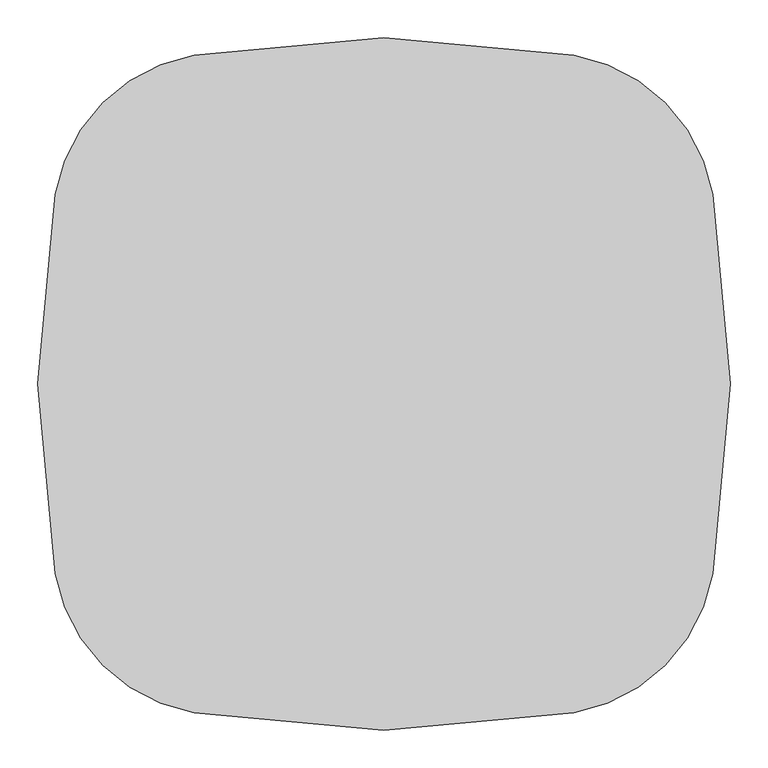
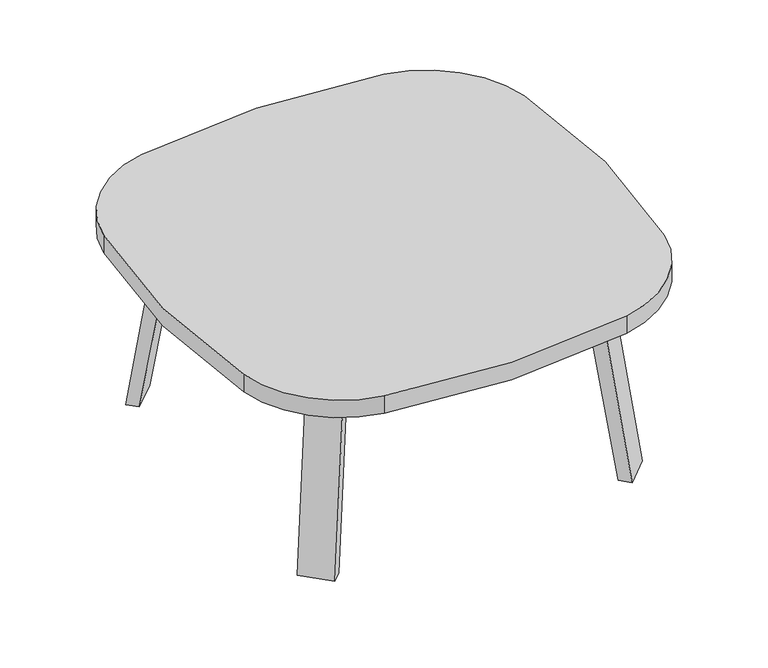
"""IFC4 building model written with IfcOpenShell, lengths in millimetres: furniture geometry."""

from ifc_helpers import new_model, si_unit, point, frame, frame_2d, origin, place, context, project, spatial, polyline, circle_curve, trimmed, segment, composite_curve, outline, extrude, faceted_brep, source, transform, mapped, element, save


def furniture_5767a59c(model_context):
    return source(origin(), model_context, "Body", "SolidModel", [
        extrude(outline(composite_curve([segment(trimmed(circle_curve(frame_2d((-939.8, 0.0)), 1397.0), [point((434.5292545, 250.6553415))], [point((434.5292545, -250.6553415))], False, "CARTESIAN"), True, "CONTINUOUS"), segment(trimmed(circle_curve(frame_2d((209.6390129, -209.6390129)), 228.6), [point((434.5292545, -250.6553415))], [point((250.6553415, -434.5292545))], False, "CARTESIAN"), True, "CONTINUOUS"), segment(trimmed(circle_curve(frame_2d((0.0, 939.8)), 1397.0), [point((250.6553415, -434.5292545))], [point((-250.6553415, -434.5292545))], False, "CARTESIAN"), True, "CONTINUOUS"), segment(trimmed(circle_curve(frame_2d((-209.6390129, -209.6390129)), 228.6), [point((-250.6553415, -434.5292545))], [point((-434.5292545, -250.6553415))], False, "CARTESIAN"), True, "CONTINUOUS"), segment(trimmed(circle_curve(frame_2d((939.8, 0.0)), 1397.0), [point((-434.5292545, -250.6553415))], [point((-434.5292545, 250.6553415))], False, "CARTESIAN"), True, "CONTINUOUS"), segment(trimmed(circle_curve(frame_2d((-209.6390129, 209.6390129)), 228.6), [point((-434.5292545, 250.6553415))], [point((-250.6553415, 434.5292545))], False, "CARTESIAN"), True, "CONTINUOUS"), segment(trimmed(circle_curve(frame_2d((0.0, -939.8)), 1397.0), [point((-250.6553415, 434.5292545))], [point((250.6553415, 434.5292545))], False, "CARTESIAN"), True, "CONTINUOUS"), segment(trimmed(circle_curve(frame_2d((209.6390129, 209.6390129)), 228.6), [point((250.6553415, 434.5292545))], [point((434.5292545, 250.6553415))], False, "CARTESIAN"), True, "CONTINUOUS")], self_intersect=False)), frame((0.0, 0.0, 393.7), z_axis=(0.0, 0.0, 1.0), x_axis=(1.0, 0.0, 0.0)), (0.0, 0.0, 1.0), 38.1),
        faceted_brep([(125.9573355, -250.9740831, 390.525), (165.4704624, -211.4609562, 390.525), (220.5867843, -266.5772782, 390.525), (213.9451366, -273.2189259, 390.525), (152.8981038, -277.9148515, 390.525), (273.2189259, -213.9451366, 390.525), (267.2841162, -219.8799463, 390.525), (212.1677942, -164.7636244, 390.525), (251.6809212, -125.2504974, 390.525), (278.6216895, -152.1912658, 390.525), (125.9573355, -250.9740831, 393.7), (152.8981038, -277.9148515, 393.7), (213.9451366, -273.2189259, 393.7), (273.2189259, -213.9451366, 393.7), (278.6216895, -152.1912658, 393.7), (251.6809212, -125.2504974, 393.7), (220.5867843, -266.5772782, 368.3), (267.2841162, -219.8799463, 368.3), (175.6855037, -221.6759975, 368.3), (222.3828356, -174.9786657, 368.3)], [[[0, 1, 2, 3, 4]], [[5, 6, 7, 8, 9]], [[10, 11, 12, 13, 14, 15]], [[4, 11, 10, 0]], [[3, 12, 11, 4]], [[12, 3, 2, 16, 17, 6, 5, 13]], [[9, 14, 13, 5]], [[8, 15, 14, 9]], [[15, 8, 7, 1, 0, 10]], [[2, 1, 18, 16]], [[7, 6, 17, 19]], [[18, 19, 17, 16]], [[1, 7, 19, 18]]]),
        extrude(outline(composite_curve([segment(polyline([(-398.4146379, 0.0), (-408.1545858, 62.748573), (-383.0551566, 66.6445522), (-379.5627212, 44.1449106)]), True, "CONTINUOUS"), segment(trimmed(circle_curve(frame_2d((-360.7381493, 47.066895)), 19.05), [point((-379.5627212, 44.1449106))], [point((-359.4679535, 28.0592886))], True, "CARTESIAN"), True, "CONTINUOUS"), segment(polyline([(-359.4679535, 28.0592886), (-3.9108612, 25.195305), (0.0, 0.0), (-398.4146379, 0.0)]), True, "CONTINUOUS")], self_intersect=False)), frame((306.9994909, -356.3908995, 0.0), z_axis=(0.7071067811865512, 0.7071067811865439, 0.0), x_axis=(0.1084595775949888, -0.10845957759497554, -0.9881665042166913)), (0.0, 0.0, 1.0), 69.85),
        faceted_brep([(125.9573355, 250.9740831, 390.525), (152.8981038, 277.9148515, 390.525), (213.9451366, 273.2189259, 390.525), (220.5867843, 266.5772782, 390.525), (165.4704624, 211.4609562, 390.525), (273.2189259, 213.9451366, 390.525), (278.6216895, 152.1912658, 390.525), (251.6809212, 125.2504974, 390.525), (212.1677942, 164.7636244, 390.525), (267.2841162, 219.8799463, 390.525), (125.9573355, 250.9740831, 393.7), (251.6809212, 125.2504974, 393.7), (278.6216895, 152.1912658, 393.7), (273.2189259, 213.9451366, 393.7), (213.9451366, 273.2189259, 393.7), (152.8981038, 277.9148515, 393.7), (267.2841162, 219.8799463, 368.3), (220.5867843, 266.5772782, 368.3), (175.6855037, 221.6759975, 368.3), (222.3828356, 174.9786657, 368.3)], [[[0, 1, 2, 3, 4]], [[5, 6, 7, 8, 9]], [[10, 11, 12, 13, 14, 15]], [[1, 0, 10, 15]], [[2, 1, 15, 14]], [[14, 13, 5, 9, 16, 17, 3, 2]], [[6, 5, 13, 12]], [[7, 6, 12, 11]], [[11, 10, 0, 4, 8, 7]], [[3, 17, 18, 4]], [[8, 19, 16, 9]], [[18, 17, 16, 19]], [[4, 18, 19, 8]]]),
        extrude(outline(composite_curve([segment(polyline([(398.4146379, 0.0), (408.1545858, -62.748573), (383.0551566, -66.6445522), (379.5627212, -44.1449106)]), True, "CONTINUOUS"), segment(trimmed(circle_curve(frame_2d((360.7381493, -47.066895)), 19.05), [point((379.5627212, -44.1449106))], [point((359.4679535, -28.0592886))], True, "CARTESIAN"), True, "CONTINUOUS"), segment(polyline([(359.4679535, -28.0592886), (3.9108612, -25.195305), (0.0, 0.0), (398.4146379, 0.0)]), True, "CONTINUOUS")], self_intersect=False)), frame((356.3908995, 306.9994909, 0.0), z_axis=(-0.7071067811865512, 0.7071067811865439, 0.0), x_axis=(-0.1084595775949888, -0.10845957759497554, 0.9881665042166913)), (0.0, 0.0, 1.0), 69.85),
        faceted_brep([(-125.9573355, 250.9740831, 390.525), (-165.4704624, 211.4609562, 390.525), (-220.5867843, 266.5772782, 390.525), (-213.9451366, 273.2189259, 390.525), (-152.8981038, 277.9148515, 390.525), (-273.2189259, 213.9451366, 390.525), (-267.2841162, 219.8799463, 390.525), (-212.1677942, 164.7636244, 390.525), (-251.6809212, 125.2504974, 390.525), (-278.6216895, 152.1912658, 390.525), (-125.9573355, 250.9740831, 393.7), (-152.8981038, 277.9148515, 393.7), (-213.9451366, 273.2189259, 393.7), (-273.2189259, 213.9451366, 393.7), (-278.6216895, 152.1912658, 393.7), (-251.6809212, 125.2504974, 393.7), (-220.5867843, 266.5772782, 368.3), (-267.2841162, 219.8799463, 368.3), (-175.6855037, 221.6759975, 368.3), (-222.3828356, 174.9786657, 368.3)], [[[0, 1, 2, 3, 4]], [[5, 6, 7, 8, 9]], [[10, 11, 12, 13, 14, 15]], [[4, 11, 10, 0]], [[3, 12, 11, 4]], [[12, 3, 2, 16, 17, 6, 5, 13]], [[9, 14, 13, 5]], [[8, 15, 14, 9]], [[15, 8, 7, 1, 0, 10]], [[2, 1, 18, 16]], [[7, 6, 17, 19]], [[18, 19, 17, 16]], [[1, 7, 19, 18]]]),
        extrude(outline(composite_curve([segment(polyline([(398.4146379, 0.0), (0.0, 0.0), (3.9108612, 25.195305), (359.4679535, 28.0592886)]), True, "CONTINUOUS"), segment(trimmed(circle_curve(frame_2d((360.7381493, 47.066895)), 19.05), [point((359.4679535, 28.0592886))], [point((379.5627212, 44.1449106))], True, "CARTESIAN"), True, "CONTINUOUS"), segment(polyline([(379.5627212, 44.1449106), (383.0551566, 66.6445522), (408.1545858, 62.748573), (398.4146379, 0.0)]), True, "CONTINUOUS")], self_intersect=False)), frame((-356.3908995, 306.9994909, 0.0), z_axis=(0.7071067811865512, 0.7071067811865439, 0.0), x_axis=(0.1084595775949888, -0.10845957759497554, 0.9881665042166913)), (0.0, 0.0, 1.0), 69.85),
        faceted_brep([(-125.9573355, -250.9740831, 390.525), (-152.8981038, -277.9148515, 390.525), (-213.9451366, -273.2189259, 390.525), (-220.5867843, -266.5772782, 390.525), (-165.4704624, -211.4609562, 390.525), (-273.2189259, -213.9451366, 390.525), (-278.6216895, -152.1912658, 390.525), (-251.6809212, -125.2504974, 390.525), (-212.1677942, -164.7636244, 390.525), (-267.2841162, -219.8799463, 390.525), (-125.9573355, -250.9740831, 393.7), (-251.6809212, -125.2504974, 393.7), (-278.6216895, -152.1912658, 393.7), (-273.2189259, -213.9451366, 393.7), (-213.9451366, -273.2189259, 393.7), (-152.8981038, -277.9148515, 393.7), (-267.2841162, -219.8799463, 368.3), (-220.5867843, -266.5772782, 368.3), (-175.6855037, -221.6759975, 368.3), (-222.3828356, -174.9786657, 368.3)], [[[0, 1, 2, 3, 4]], [[5, 6, 7, 8, 9]], [[10, 11, 12, 13, 14, 15]], [[1, 0, 10, 15]], [[2, 1, 15, 14]], [[14, 13, 5, 9, 16, 17, 3, 2]], [[6, 5, 13, 12]], [[7, 6, 12, 11]], [[11, 10, 0, 4, 8, 7]], [[3, 17, 18, 4]], [[8, 19, 16, 9]], [[18, 17, 16, 19]], [[4, 18, 19, 8]]]),
        extrude(outline(composite_curve([segment(polyline([(-398.4146379, 0.0), (0.0, 0.0), (-3.9108612, -25.195305), (-359.4679535, -28.0592886)]), True, "CONTINUOUS"), segment(trimmed(circle_curve(frame_2d((-360.7381493, -47.066895)), 19.05), [point((-359.4679535, -28.0592886))], [point((-379.5627212, -44.1449106))], True, "CARTESIAN"), True, "CONTINUOUS"), segment(polyline([(-379.5627212, -44.1449106), (-383.0551566, -66.6445522), (-408.1545858, -62.748573), (-398.4146379, 0.0)]), True, "CONTINUOUS")], self_intersect=False)), frame((-306.9994909, -356.3908995, 0.0), z_axis=(-0.7071067811865512, 0.7071067811865439, 0.0), x_axis=(-0.1084595775949888, -0.10845957759497554, -0.9881665042166913)), (0.0, 0.0, 1.0), 69.85),
    ])


if __name__ == "__main__":
    model = new_model("IFC4")
    model_context = context("Model", 3, world=origin())
    ifc_project = project(units=[si_unit("LENGTHUNIT", "METRE", prefix="MILLI")], contexts=[model_context])
    site = spatial("IfcSite", under=ifc_project)
    building = spatial("IfcBuilding", under=site)
    placement = place(None, origin())
    furniture_shape = furniture_5767a59c(model_context)
    element("IfcFurniture", 1, at=placement, inside=building, context=model_context, shape_type="MappedRepresentation", body=[
        mapped(furniture_shape, transform((0.0, 0.0, 0.0), x_axis=(1.0, 0.0, 0.0), y_axis=(0.0, 1.0, 0.0), z_axis=(0.0, 0.0, 1.0))),
    ])
    save(model, "model.ifc")
